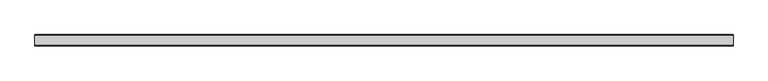
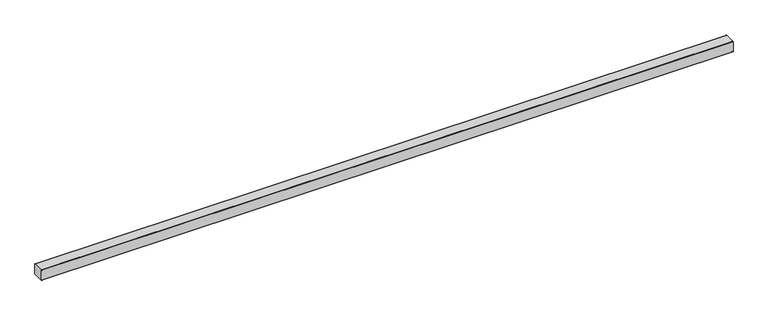
"""IFC4 building model written with IfcOpenShell, lengths in millimetres: beam geometry."""

from ifc_helpers import new_model, si_unit, point, frame, frame_2d, origin, place, context, project, spatial, polyline, circle_curve, trimmed, segment, composite_curve, outline, extrude, source, transform, mapped, element, save


def beam_d2400002(model_context):
    return source(origin(), model_context, "Body", "SweptSolid", [
        extrude(outline(composite_curve([segment(polyline([(49.0, 44.0), (49.0, -44.0)]), True, "CONTINUOUS"), segment(trimmed(circle_curve(frame_2d((44.0, -44.0)), 5.0), [point((49.0, -44.0))], [point((44.0, -49.0))], False, "CARTESIAN"), True, "CONTINUOUS"), segment(polyline([(44.0, -49.0), (-44.0, -49.0)]), True, "CONTINUOUS"), segment(trimmed(circle_curve(frame_2d((-44.0, -44.0)), 5.0), [point((-44.0, -49.0))], [point((-49.0, -44.0))], False, "CARTESIAN"), True, "CONTINUOUS"), segment(polyline([(-49.0, -44.0), (-49.0, 44.0)]), True, "CONTINUOUS"), segment(trimmed(circle_curve(frame_2d((-44.0, 44.0)), 5.0), [point((-49.0, 44.0))], [point((-44.0, 49.0))], False, "CARTESIAN"), True, "CONTINUOUS"), segment(polyline([(-44.0, 49.0), (44.0, 49.0)]), True, "CONTINUOUS"), segment(trimmed(circle_curve(frame_2d((44.0, 44.0)), 5.0), [point((44.0, 49.0))], [point((49.0, 44.0))], False, "CARTESIAN"), True, "CONTINUOUS")], self_intersect=False)), frame((-3000.0, 0.0, 0.0), z_axis=(1.0, 0.0, 0.0), x_axis=(0.0, 1.0, 0.0)), (0.0, 0.0, 1.0), 6000.0),
    ])


if __name__ == "__main__":
    model = new_model("IFC4")
    model_context = context("Model", 3, world=origin())
    ifc_project = project(units=[si_unit("LENGTHUNIT", "METRE", prefix="MILLI")], contexts=[model_context])
    site = spatial("IfcSite", under=ifc_project)
    building = spatial("IfcBuilding", under=site)
    placement = place(None, origin())
    beam_shape = beam_d2400002(model_context)
    element("IfcBeam", 1, at=placement, inside=building, context=model_context, shape_type="MappedRepresentation", body=[
        mapped(beam_shape, transform((0.0, 0.0, 0.0), x_axis=(1.0, 0.0, 0.0), y_axis=(0.0, 1.0, 0.0), z_axis=(0.0, 0.0, 1.0))),
    ])
    save(model, "model.ifc")
